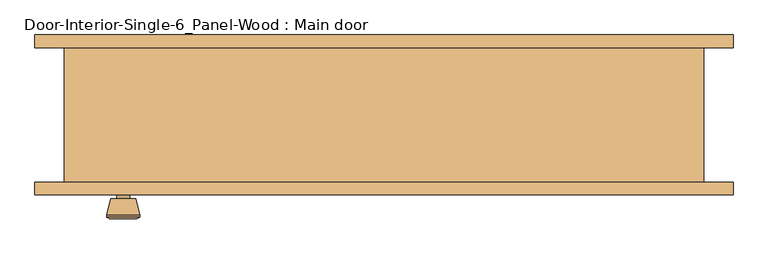
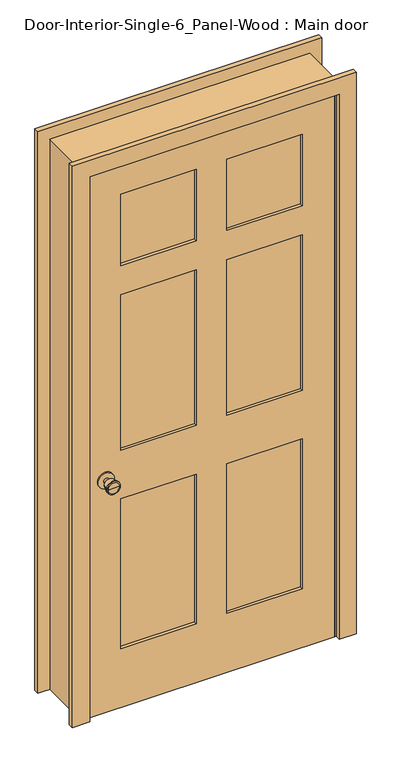
"""IFC4 building model written with IfcOpenShell, lengths in millimetres: door geometry, Door-Interior-Single-6_Panel-Wood : Main door."""

from ifc_helpers import new_model, si_unit, point, frame, frame_2d, origin, place, context, project, spatial, polyline, circle_curve, trimmed, segment, composite_curve, outline, extrude, faceted_brep, source, transform, mapped, element, save
from ifc_brep_helpers import plane_surface, cylinder_surface, revolved_surface, advanced_brep


def door_interior_single_6_panel_wood_main_door_8e6b8b5e(model_context):
    return source(origin(), model_context, "Body", "SolidModel", [
        advanced_brep(
        [(-393.7, -57.5, 914.4), (-403.7, -57.5, 914.4), (-383.7, -57.5, 914.4), (-373.2241324, -8.5, 914.4), (-414.1758676, -8.5, 914.4), (-393.7, -8.5, 914.4), (-368.7, -10.3278681, 914.4), (-418.7, -10.3278681, 914.4), (-368.7, -13.7915463, 914.4), (-418.7, -13.7915463, 914.4), (-375.063764, -38.5, 914.4), (-412.336236, -38.5, 914.4), (-383.7, -38.5, 914.4), (-403.7, -38.5, 914.4)],
        [
            (0, 1),
            (1, 2, circle_curve(frame((-393.7, -57.5, 914.4), z_axis=(0.0, -1.0, 0.0), x_axis=(-1.0, 0.0, 0.0)), 10.0)),
            (2, 0),
            (2, 1, circle_curve(frame((-393.7, -57.5, 914.4), z_axis=(0.0, -1.0, 0.0), x_axis=(-1.0, 0.0, 0.0)), 10.0)),
            (3, 4, circle_curve(frame((-393.7, -8.5, 914.4), z_axis=(0.0, 1.0, 0.0), x_axis=(-1.0, 0.0, 0.0)), 20.4758676)),
            (4, 5),
            (5, 3),
            (4, 3, circle_curve(frame((-393.7, -8.5, 914.4), z_axis=(0.0, 1.0, 0.0), x_axis=(-1.0, 0.0, 0.0)), 20.4758676)),
            (6, 7, circle_curve(frame((-393.7, -10.3278681, 914.4), z_axis=(0.0, 1.0, 0.0), x_axis=(-1.0, 0.0, 0.0)), 25.0)),
            (7, 4),
            (3, 6),
            (7, 6, circle_curve(frame((-393.7, -10.3278681, 914.4), z_axis=(0.0, 1.0, 0.0), x_axis=(-1.0, 0.0, 0.0)), 25.0)),
            (8, 9, circle_curve(frame((-393.7, -13.7915463, 914.4), z_axis=(0.0, 1.0, 0.0), x_axis=(-1.0, 0.0, 0.0)), 25.0)),
            (9, 7),
            (6, 8),
            (9, 8, circle_curve(frame((-393.7, -13.7915463, 914.4), z_axis=(0.0, 1.0, 0.0), x_axis=(-1.0, 0.0, 0.0)), 25.0)),
            (10, 11, circle_curve(frame((-393.7, -38.5, 914.4), z_axis=(0.0, 1.0, 0.0), x_axis=(-1.0, 0.0, 0.0)), 18.636236)),
            (11, 9),
            (8, 10),
            (11, 10, circle_curve(frame((-393.7, -38.5, 914.4), z_axis=(0.0, 1.0, 0.0), x_axis=(-1.0, 0.0, 0.0)), 18.636236)),
            (12, 13, circle_curve(frame((-393.7, -38.5, 914.4), z_axis=(0.0, 1.0, 0.0), x_axis=(-1.0, 0.0, 0.0)), 10.0)),
            (13, 11),
            (10, 12),
            (13, 12, circle_curve(frame((-393.7, -38.5, 914.4), z_axis=(0.0, 1.0, 0.0), x_axis=(-1.0, 0.0, 0.0)), 10.0)),
            (1, 13),
            (12, 2),
        ],
        [
            plane_surface(frame((-393.7, -57.5, 914.4), z_axis=(0.0, -1.0, 0.0), x_axis=(-1.0, 0.0, 0.0))),
            plane_surface(frame((-393.7, -8.5, 914.4), z_axis=(0.0, 1.0, 0.0), x_axis=(-1.0, 0.0, 0.0))),
            revolved_surface(polyline([(-414.1758676, -8.5, 914.4), (-418.7, -10.3278681, 914.4)]), (-393.7, -57.5, 914.4), (0.0, -1.0, 0.0)),
            cylinder_surface(frame((-393.7, -57.5, 914.4), z_axis=(0.0, -1.0, 0.0), x_axis=(-1.0, 0.0, 0.0)), 25.0),
            revolved_surface(polyline([(-418.7, -13.7915463, 914.4), (-412.336236, -38.5, 914.4)]), (-393.7, -57.5, 914.4), (0.0, -1.0, 0.0)),
            plane_surface(frame((-393.7, -38.5, 914.4), z_axis=(0.0, -1.0, 0.0), x_axis=(-1.0, 0.0, 0.0))),
            cylinder_surface(frame((-393.7, -57.5, 914.4), z_axis=(0.0, -1.0, 0.0), x_axis=(-1.0, 0.0, 0.0)), 10.0),
        ],
        [
            (0, [[1, 2, 3]]),
            (0, [[-3, 4, -1]]),
            (1, [[5, 6, 7]]),
            (1, [[8, -7, -6]]),
            (2, [[9, 10, -5, 11]]),
            (2, [[12, -11, -8, -10]]),
            (3, [[13, 14, -9, 15]]),
            (3, [[16, -15, -12, -14]]),
            (4, [[17, 18, -13, 19]]),
            (4, [[20, -19, -16, -18]]),
            (5, [[21, 22, -17, 23]]),
            (5, [[24, -23, -20, -22]]),
            (6, [[-2, 25, -21, 26]]),
            (6, [[-4, -26, -24, -25]]),
        ],
    ),
        extrude(outline(composite_curve([segment(trimmed(circle_curve(frame_2d((914.4, -393.7)), 30.0), [point((914.4, -423.7))], [point((914.4, -363.7))], False, "CARTESIAN"), True, "CONTINUOUS"), segment(trimmed(circle_curve(frame_2d((914.4, -393.7)), 30.0), [point((914.4, -363.7))], [point((914.4, -423.7))], False, "CARTESIAN"), True, "CONTINUOUS")], self_intersect=False)), frame((0.0, -63.5, 0.0), z_axis=(0.0, 1.0, 0.0), x_axis=(0.0, 0.0, 1.0)), (0.0, 0.0, 1.0), 6.0),
        advanced_brep(
        [(-393.7, -104.425, 914.4), (-383.7, -104.425, 914.4), (-403.7, -104.425, 914.4), (-373.2241324, -153.425, 914.4), (-393.7, -153.425, 914.4), (-414.1758676, -153.425, 914.4), (-368.7, -151.5971319, 914.4), (-418.7, -151.5971319, 914.4), (-368.7, -148.1334537, 914.4), (-418.7, -148.1334537, 914.4), (-375.063764, -123.425, 914.4), (-412.336236, -123.425, 914.4), (-383.7, -123.425, 914.4), (-403.7, -123.425, 914.4)],
        [
            (0, 1),
            (1, 2, circle_curve(frame((-393.7, -104.425, 914.4), z_axis=(0.0, 1.0, 0.0), x_axis=(-1.0, 0.0, 0.0)), 10.0)),
            (2, 0),
            (2, 1, circle_curve(frame((-393.7, -104.425, 914.4), z_axis=(0.0, 1.0, 0.0), x_axis=(-1.0, 0.0, 0.0)), 10.0)),
            (3, 4),
            (4, 5),
            (5, 3, circle_curve(frame((-393.7, -153.425, 914.4), z_axis=(0.0, -1.0, 0.0), x_axis=(-1.0, 0.0, 0.0)), 20.4758676)),
            (3, 5, circle_curve(frame((-393.7, -153.425, 914.4), z_axis=(0.0, -1.0, 0.0), x_axis=(-1.0, 0.0, 0.0)), 20.4758676)),
            (6, 3),
            (5, 7),
            (7, 6, circle_curve(frame((-393.7, -151.5971319, 914.4), z_axis=(0.0, -1.0, 0.0), x_axis=(-1.0, 0.0, 0.0)), 25.0)),
            (6, 7, circle_curve(frame((-393.7, -151.5971319, 914.4), z_axis=(0.0, -1.0, 0.0), x_axis=(-1.0, 0.0, 0.0)), 25.0)),
            (8, 6),
            (7, 9),
            (9, 8, circle_curve(frame((-393.7, -148.1334537, 914.4), z_axis=(0.0, -1.0, 0.0), x_axis=(-1.0, 0.0, 0.0)), 25.0)),
            (8, 9, circle_curve(frame((-393.7, -148.1334537, 914.4), z_axis=(0.0, -1.0, 0.0), x_axis=(-1.0, 0.0, 0.0)), 25.0)),
            (10, 8),
            (9, 11),
            (11, 10, circle_curve(frame((-393.7, -123.425, 914.4), z_axis=(0.0, -1.0, 0.0), x_axis=(-1.0, 0.0, 0.0)), 18.636236)),
            (10, 11, circle_curve(frame((-393.7, -123.425, 914.4), z_axis=(0.0, -1.0, 0.0), x_axis=(-1.0, 0.0, 0.0)), 18.636236)),
            (12, 10),
            (11, 13),
            (13, 12, circle_curve(frame((-393.7, -123.425, 914.4), z_axis=(0.0, -1.0, 0.0), x_axis=(-1.0, 0.0, 0.0)), 10.0)),
            (12, 13, circle_curve(frame((-393.7, -123.425, 914.4), z_axis=(0.0, -1.0, 0.0), x_axis=(-1.0, 0.0, 0.0)), 10.0)),
            (1, 12),
            (13, 2),
        ],
        [
            plane_surface(frame((-393.7, -104.425, 914.4), z_axis=(0.0, 1.0, 0.0), x_axis=(-1.0, 0.0, 0.0))),
            plane_surface(frame((-393.7, -153.425, 914.4), z_axis=(0.0, -1.0, 0.0), x_axis=(-1.0, 0.0, 0.0))),
            revolved_surface(polyline([(-414.1758676, -153.425, 914.4), (-418.7, -151.5971319, 914.4)]), (-393.7, -104.425, 914.4), (0.0, 1.0, 0.0)),
            cylinder_surface(frame((-393.7, -104.425, 914.4), z_axis=(0.0, 1.0, 0.0), x_axis=(-1.0, 0.0, 0.0)), 25.0),
            revolved_surface(polyline([(-418.7, -148.1334537, 914.4), (-412.336236, -123.425, 914.4)]), (-393.7, -104.425, 914.4), (0.0, 1.0, 0.0)),
            plane_surface(frame((-393.7, -123.425, 914.4), z_axis=(0.0, 1.0, 0.0), x_axis=(-1.0, 0.0, 0.0))),
            cylinder_surface(frame((-393.7, -104.425, 914.4), z_axis=(0.0, 1.0, 0.0), x_axis=(-1.0, 0.0, 0.0)), 10.0),
        ],
        [
            (0, [[1, 2, 3]]),
            (0, [[-3, 4, -1]]),
            (1, [[5, 6, 7]]),
            (1, [[-6, -5, 8]]),
            (2, [[9, -7, 10, 11]]),
            (2, [[-10, -8, -9, 12]]),
            (3, [[13, -11, 14, 15]]),
            (3, [[-14, -12, -13, 16]]),
            (4, [[17, -15, 18, 19]]),
            (4, [[-18, -16, -17, 20]]),
            (5, [[21, -19, 22, 23]]),
            (5, [[-22, -20, -21, 24]]),
            (6, [[25, -23, 26, -2]]),
            (6, [[-26, -24, -25, -4]]),
        ],
    ),
        extrude(outline(composite_curve([segment(trimmed(circle_curve(frame_2d((914.4, -393.7)), 30.0), [point((914.4, -423.7))], [point((914.4, -363.7))], False, "CARTESIAN"), True, "CONTINUOUS"), segment(trimmed(circle_curve(frame_2d((914.4, -393.7)), 30.0), [point((914.4, -363.7))], [point((914.4, -423.7))], False, "CARTESIAN"), True, "CONTINUOUS")], self_intersect=False)), frame((0.0, -104.425, 0.0), z_axis=(0.0, 1.0, 0.0), x_axis=(0.0, 0.0, 1.0)), (0.0, 0.0, 1.0), 6.0),
        extrude(outline(polyline([(336.55, -75.1416667), (336.55, -86.7833333), (57.15, -86.7833333), (57.15, -75.1416667), (336.55, -75.1416667)])), frame((0.0, 0.0, 1735.1375), z_axis=(0.0, 0.0, 1.0), x_axis=(1.0, 0.0, 0.0)), (0.0, 0.0, 1.0), 279.4),
        extrude(outline(polyline([(336.55, -75.1416667), (336.55, -86.7833333), (57.15, -86.7833333), (57.15, -75.1416667), (336.55, -75.1416667)])), frame((0.0, 0.0, 1009.65), z_axis=(0.0, 0.0, 1.0), x_axis=(1.0, 0.0, 0.0)), (0.0, 0.0, 1.0), 611.1875),
        extrude(outline(polyline([(-57.15, -75.1416667), (-57.15, -86.7833333), (-336.55, -86.7833333), (-336.55, -75.1416667), (-57.15, -75.1416667)])), frame((0.0, 0.0, 1009.65), z_axis=(0.0, 0.0, 1.0), x_axis=(1.0, 0.0, 0.0)), (0.0, 0.0, 1.0), 611.1875),
        extrude(outline(polyline([(-57.15, -75.1416667), (-57.15, -86.7833333), (-336.55, -86.7833333), (-336.55, -75.1416667), (-57.15, -75.1416667)])), frame((0.0, 0.0, 1735.1375), z_axis=(0.0, 0.0, 1.0), x_axis=(1.0, 0.0, 0.0)), (0.0, 0.0, 1.0), 279.4),
        extrude(outline(polyline([(336.55, -75.1416667), (336.55, -86.7833333), (57.15, -86.7833333), (57.15, -75.1416667), (336.55, -75.1416667)])), frame((0.0, 0.0, 231.775), z_axis=(0.0, 0.0, 1.0), x_axis=(1.0, 0.0, 0.0)), (0.0, 0.0, 1.0), 587.375),
        extrude(outline(polyline([(-57.15, -75.1416667), (-57.15, -86.7833333), (-336.55, -86.7833333), (-336.55, -75.1416667), (-57.15, -75.1416667)])), frame((0.0, 0.0, 231.775), z_axis=(0.0, 0.0, 1.0), x_axis=(1.0, 0.0, 0.0)), (0.0, 0.0, 1.0), 587.375),
        extrude(outline(polyline([(2133.6, -457.2), (0.0, -457.2), (0.0, 457.2), (2133.6, 457.2), (2133.6, -457.2)]), holes=[polyline([(2014.5375, 57.15), (2014.5375, 336.55), (1735.1375, 336.55), (1735.1375, 57.15), (2014.5375, 57.15)]), polyline([(1620.8375, 336.55), (1009.65, 336.55), (1009.65, 57.15), (1620.8375, 57.15), (1620.8375, 336.55)]), polyline([(1009.65, -57.15), (1009.65, -336.55), (1620.8375, -336.55), (1620.8375, -57.15), (1009.65, -57.15)]), polyline([(1735.1375, -336.55), (2014.5375, -336.55), (2014.5375, -57.15), (1735.1375, -57.15), (1735.1375, -336.55)]), polyline([(819.15, 57.15), (819.15, 336.55), (231.775, 336.55), (231.775, 57.15), (819.15, 57.15)]), polyline([(231.775, -57.15), (231.775, -336.55), (819.15, -336.55), (819.15, -57.15), (231.775, -57.15)])]), frame((0.0, -98.425, 0.0), z_axis=(0.0, 1.0, 0.0), x_axis=(0.0, 0.0, 1.0)), (0.0, 0.0, 1.0), 34.925),
        faceted_brep([(482.6, -98.425, 0.0), (457.2, -98.425, 0.0), (457.2, -63.5, 0.0), (444.5, -63.5, 0.0), (444.5, -28.575, 0.0), (457.2, -28.575, 0.0), (457.2, 104.775, 0.0), (482.6, 104.775, 0.0), (482.6, 104.775, 2159.0), (482.6, -98.425, 2159.0), (457.2, 104.775, 2133.6), (-457.2, 104.775, 2133.6), (-457.2, 104.775, 0.0), (-482.6, 104.775, 0.0), (-482.6, 104.775, 2159.0), (457.2, -28.575, 2133.6), (444.5, -28.575, 2120.9), (-444.5, -28.575, 2120.9), (-444.5, -28.575, 0.0), (-457.2, -28.575, 0.0), (-457.2, -28.575, 2133.6), (444.5, -63.5, 2120.9), (457.2, -63.5, 2133.6), (-457.2, -63.5, 2133.6), (-457.2, -63.5, 0.0), (-444.5, -63.5, 0.0), (-444.5, -63.5, 2120.9), (457.2, -98.425, 2133.6), (-482.6, -98.425, 2159.0), (-482.6, -98.425, 0.0), (-457.2, -98.425, 0.0), (-457.2, -98.425, 2133.6)], [[[0, 1, 2, 3, 4, 5, 6, 7]], [[7, 8, 9, 0]], [[6, 10, 11, 12, 13, 14, 8, 7]], [[5, 15, 10, 6]], [[4, 16, 17, 18, 19, 20, 15, 5]], [[3, 21, 16, 4]], [[2, 22, 23, 24, 25, 26, 21, 3]], [[1, 27, 22, 2]], [[0, 9, 28, 29, 30, 31, 27, 1]], [[8, 14, 28, 9]], [[15, 20, 11, 10]], [[21, 26, 17, 16]], [[27, 31, 23, 22]], [[29, 13, 12, 19, 18, 25, 24, 30]], [[14, 13, 29, 28]], [[20, 19, 12, 11]], [[26, 25, 18, 17]], [[31, 30, 24, 23]]]),
        extrude(outline(polyline([(0.0, 527.05), (2203.45, 527.05), (2203.45, -527.05), (0.0, -527.05), (0.0, -463.55), (2139.95, -463.55), (2139.95, 463.55), (0.0, 463.55), (0.0, 527.05)])), frame((0.0, 104.775, 0.0), z_axis=(0.0, 1.0, 0.0), x_axis=(0.0, 0.0, 1.0)), (0.0, 0.0, 1.0), 19.05),
        extrude(outline(polyline([(0.0, 527.05), (2203.45, 527.05), (2203.45, -527.05), (0.0, -527.05), (0.0, -463.55), (2139.95, -463.55), (2139.95, 463.55), (0.0, 463.55), (0.0, 527.05)])), frame((0.0, -117.475, 0.0), z_axis=(0.0, 1.0, 0.0), x_axis=(0.0, 0.0, 1.0)), (0.0, 0.0, 1.0), 19.05),
    ])


if __name__ == "__main__":
    model = new_model("IFC4")
    model_context = context("Model", 3, world=origin())
    ifc_project = project(units=[si_unit("LENGTHUNIT", "METRE", prefix="MILLI")], contexts=[model_context])
    site = spatial("IfcSite", under=ifc_project)
    building = spatial("IfcBuilding", under=site)
    placement = place(None, origin())
    door_interior_single_6_panel_wood_main_door_shape = door_interior_single_6_panel_wood_main_door_8e6b8b5e(model_context)
    element("IfcDoor", 1, ObjectType="Door-Interior-Single-6_Panel-Wood : Main door", at=placement, inside=building, context=model_context, shape_type="MappedRepresentation", body=[
        mapped(door_interior_single_6_panel_wood_main_door_shape, transform((0.0, 0.0, 0.0), x_axis=(1.0, 0.0, 0.0), y_axis=(0.0, 1.0, 0.0), z_axis=(0.0, 0.0, 1.0))),
    ])
    save(model, "model.ifc")
